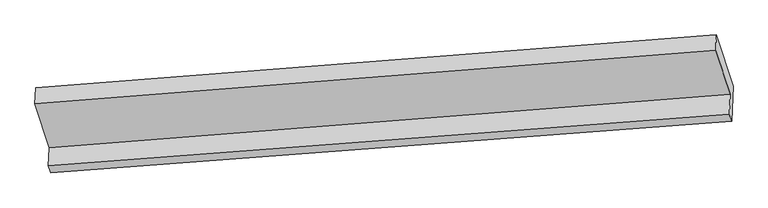
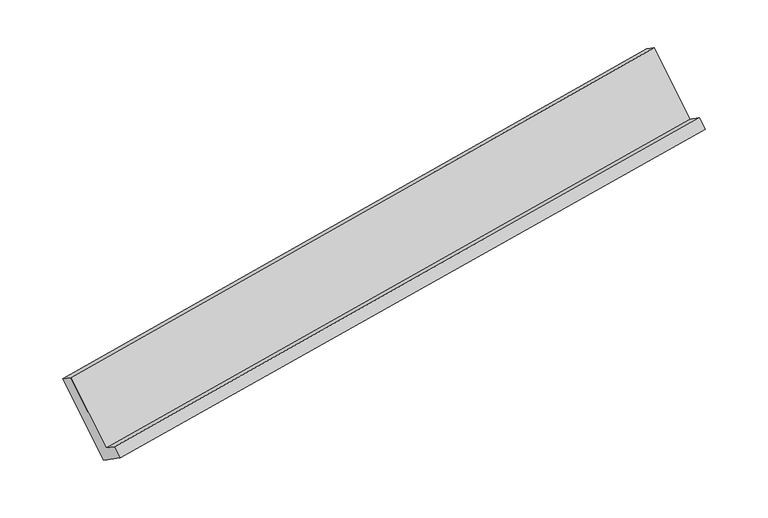
"""IFC4 building model written with IfcOpenShell, lengths in millimetres: proxy geometry."""

from ifc_helpers import new_model, si_unit, origin, place, context, project, spatial, faceted_brep, source, transform, mapped, element, save


def generic_models_8081bce7(model_context):
    return source(origin(), model_context, "Body", "Brep", [
        faceted_brep([(-6033.6983376, -1861.8378645, 1207.2092497), (-6040.7232127, -2034.0006845, 1327.989239), (380.4457405, -1548.6521944, 2436.8435484), (388.1383114, -1360.1257564, 2304.5837426), (-6019.4008796, -2099.6082414, 1235.7107469), (401.7680737, -1614.2597512, 2344.5650564), (-6006.1987614, -1776.0560297, 1008.7242662), (415.3040397, -1282.5257306, 2111.8386673), (-6161.2874407, -1298.8573445, 1679.9148605), (258.3646917, -799.6326472, 2791.0385597), (-6167.4646837, -1450.2467361, 1786.121352), (252.5212966, -942.8402298, 2891.5051429)], [[[0, 1, 2, 3]], [[1, 4, 5, 2]], [[4, 6, 7, 5]], [[6, 8, 9, 7]], [[8, 10, 11, 9]], [[10, 0, 3, 11]], [[9, 11, 3, 2, 5, 7]], [[0, 10, 8, 6, 4, 1]]]),
    ])


if __name__ == "__main__":
    model = new_model("IFC4")
    model_context = context("Model", 3, world=origin())
    ifc_project = project(units=[si_unit("LENGTHUNIT", "METRE", prefix="MILLI")], contexts=[model_context])
    site = spatial("IfcSite", under=ifc_project)
    building = spatial("IfcBuilding", under=site)
    placement = place(None, origin())
    generic_models_shape = generic_models_8081bce7(model_context)
    element("IfcBuildingElementProxy", 1, Name="Generic Models", at=placement, inside=building, context=model_context, shape_type="MappedRepresentation", body=[
        mapped(generic_models_shape, transform((0.0, 0.0, 0.0), x_axis=(1.0, 0.0, 0.0), y_axis=(0.0, 1.0, 0.0), z_axis=(0.0, 0.0, 1.0))),
    ])
    save(model, "model.ifc")
